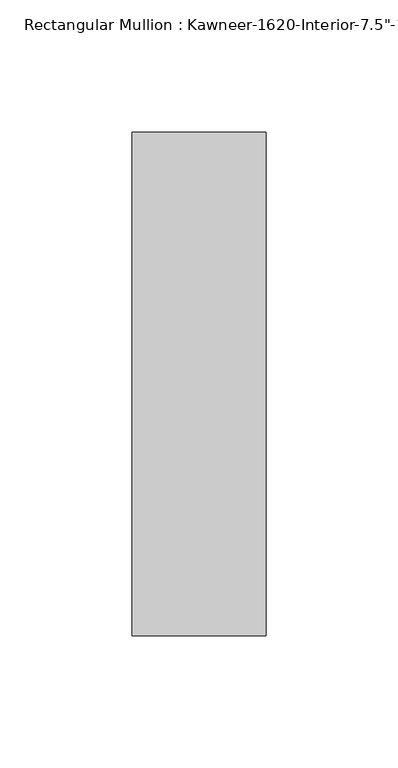
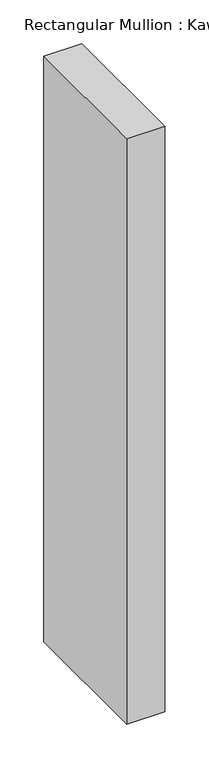
"""IFC4 building model written with IfcOpenShell, lengths in millimetres: member geometry."""

from ifc_helpers import new_model, si_unit, frame, origin, place, context, project, spatial, polyline, outline, extrude, source, transform, mapped, element, save


def member_9330fc56(model_context):
    return source(origin(), model_context, "Body", "SweptSolid", [
        extrude(outline(polyline([(25.4, -161.925), (-25.4, -161.925), (-25.4, 28.575), (25.4, 28.575), (25.4, -161.925)])), frame((0.0, 0.0, -820.0182369), z_axis=(0.0, 0.0, 1.0), x_axis=(1.0, 0.0, 0.0)), (0.0, 0.0, 1.0), 820.0182369),
    ])


if __name__ == "__main__":
    model = new_model("IFC4")
    model_context = context("Model", 3, world=origin())
    ifc_project = project(units=[si_unit("LENGTHUNIT", "METRE", prefix="MILLI")], contexts=[model_context])
    site = spatial("IfcSite", under=ifc_project)
    building = spatial("IfcBuilding", under=site)
    placement = place(None, origin())
    member_shape = member_9330fc56(model_context)
    element("IfcMember", 1, ObjectType="Rectangular Mullion : Kawneer-1620-Interior-7.5\"-1/4\"Infill", at=placement, inside=building, context=model_context, shape_type="MappedRepresentation", body=[
        mapped(member_shape, transform((0.0, 0.0, 0.0), x_axis=(1.0, 0.0, 0.0), y_axis=(0.0, 1.0, 0.0), z_axis=(0.0, 0.0, 1.0))),
    ])
    save(model, "model.ifc")
